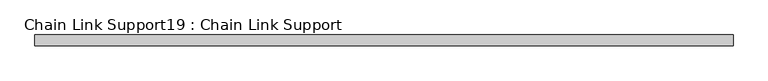
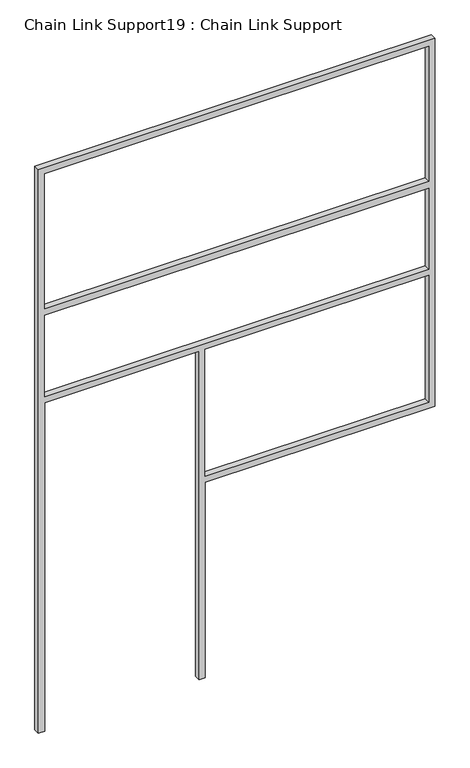
"""IFC4 building model written with IfcOpenShell, lengths in millimetres: proxy geometry, Chain Link Support19 : Chain Link Support."""

from ifc_helpers import new_model, si_unit, frame, origin, place, context, project, spatial, polyline, outline, extrude, source, transform, mapped, element, save


def chain_link_support19_chain_link_support_730003cb(model_context):
    return source(origin(), model_context, "Body", "SweptSolid", [
        extrude(outline(polyline([(3657.6, -10883.9098205), (0.0, -10883.9098205), (0.0, -10845.8098205), (2133.6, -10845.8098205), (2133.6, -9896.4848205), (0.0, -9896.4848205), (0.0, -9858.3848205), (1270.0, -9858.3848205), (1270.0, -8445.5098205), (3657.6, -8445.5098205), (3657.6, -10883.9098205)]), holes=[polyline([(2743.2, -10845.8098205), (3619.5, -10845.8098205), (3619.5, -8483.6098205), (2743.2, -8483.6098205), (2743.2, -10845.8098205)]), polyline([(1308.1, -8483.6098205), (1308.1, -9858.3848205), (2133.6, -9858.3848205), (2133.6, -8483.6098205), (1308.1, -8483.6098205)]), polyline([(2171.7, -10845.8098205), (2698.75, -10845.8098205), (2698.75, -8483.6098205), (2171.7, -8483.6098205), (2171.7, -10845.8098205)])]), frame((0.0, 15505.742683, 0.0), z_axis=(0.0, 1.0, 0.0), x_axis=(0.0, 0.0, 1.0)), (0.0, 0.0, 1.0), 38.1),
    ])


if __name__ == "__main__":
    model = new_model("IFC4")
    model_context = context("Model", 3, world=origin())
    ifc_project = project(units=[si_unit("LENGTHUNIT", "METRE", prefix="MILLI")], contexts=[model_context])
    site = spatial("IfcSite", under=ifc_project)
    building = spatial("IfcBuilding", under=site)
    placement = place(None, origin())
    chain_link_support19_chain_link_support_shape = chain_link_support19_chain_link_support_730003cb(model_context)
    element("IfcBuildingElementProxy", 1, Name="Chain Link Support19 : Chain Link Support", ObjectType="Chain Link Support19 : Chain Link Support", at=placement, inside=building, context=model_context, shape_type="MappedRepresentation", body=[
        mapped(chain_link_support19_chain_link_support_shape, transform((0.0, 0.0, 0.0), x_axis=(1.0, 0.0, 0.0), y_axis=(0.0, 1.0, 0.0), z_axis=(0.0, 0.0, 1.0))),
    ])
    save(model, "model.ifc")
